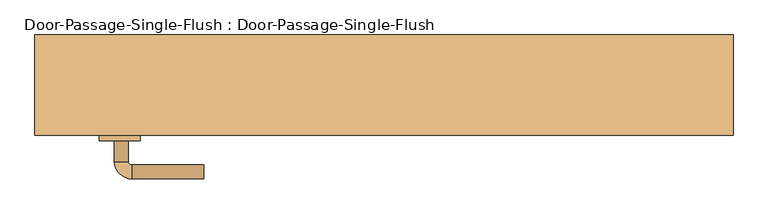
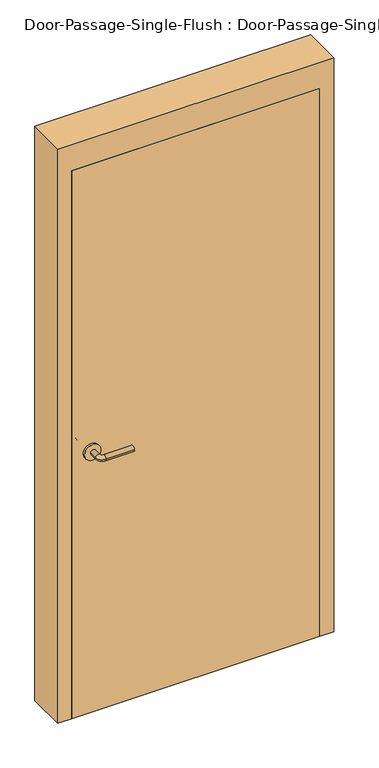
"""IFC4 building model written with IfcOpenShell, lengths in millimetres: door geometry, Door-Passage-Single-Flush : Door-Passage-Single-Flush."""

from ifc_helpers import new_model, si_unit, point, frame, frame_2d, origin, origin_with_axes, place, context, project, spatial, polyline, circle_curve, ellipse_curve, trimmed, segment, composite_curve, outline, extrude, faceted_brep, source, transform, mapped, element, save
from ifc_brep_helpers import plane_surface, cylinder_surface, revolved_surface, advanced_brep


def door_passage_single_flush_door_passage_single_flush_6a7816ef(model_context):
    return source(origin(), model_context, "Body", "SolidModel", [
        advanced_brep(
        [(-392.190625, -4.7, 1016.0), (-372.190625, -4.7, 1016.0), (-392.190625, 25.3, 1016.0), (-372.190625, 25.3, 1016.0), (-367.190625, 30.3, 1016.0), (-367.190625, 50.3, 1016.0), (-262.190625, 50.3, 1016.0), (-262.190625, 30.3, 1016.0)],
        [
            (0, 1, circle_curve(frame((-382.190625, -4.7, 1016.0), z_axis=(0.0, -1.0, 0.0), x_axis=(1.0, 0.0, 0.0)), 10.0)),
            (1, 0, circle_curve(frame((-382.190625, -4.7, 1016.0), z_axis=(0.0, -1.0, 0.0), x_axis=(1.0, 0.0, 0.0)), 10.0)),
            (0, 2),
            (2, 3, circle_curve(frame((-382.190625, 25.3, 1016.0), z_axis=(0.0, -1.0, 0.0), x_axis=(1.0, 0.0, 0.0)), 10.0)),
            (3, 1),
            (3, 2, circle_curve(frame((-382.190625, 25.3, 1016.0), z_axis=(0.0, -1.0, 0.0), x_axis=(1.0, 0.0, 0.0)), 10.0)),
            (4, 3, circle_curve(frame((-367.190625, 25.3, 1016.0), z_axis=(0.0, 0.0, 1.0), x_axis=(-1.0, 0.0, 0.0)), 5.0)),
            (2, 5, circle_curve(frame((-367.190625, 25.3, 1016.0), z_axis=(0.0, 0.0, -1.0), x_axis=(-1.0, 0.0, 0.0)), 25.0)),
            (5, 4, circle_curve(frame((-367.190625, 40.3, 1016.0), z_axis=(-1.0, 0.0, 0.0), x_axis=(0.0, -1.0, 0.0)), 10.0)),
            (4, 5, circle_curve(frame((-367.190625, 40.3, 1016.0), z_axis=(-1.0, 0.0, 0.0), x_axis=(0.0, -1.0, 0.0)), 10.0)),
            (6, 7, circle_curve(frame((-262.190625, 40.3, 1016.0), z_axis=(1.0, 0.0, 0.0), x_axis=(0.0, -1.0, 0.0)), 10.0)),
            (7, 6, circle_curve(frame((-262.190625, 40.3, 1016.0), z_axis=(1.0, 0.0, 0.0), x_axis=(0.0, -1.0, 0.0)), 10.0)),
            (5, 6),
            (7, 4),
        ],
        [
            plane_surface(frame((-382.190625, -4.7, 1016.0), z_axis=(0.0, -1.0, 0.0), x_axis=(0.0, 0.0, 1.0))),
            cylinder_surface(frame((-382.190625, -4.7, 1016.0), z_axis=(0.0, -1.0, 0.0), x_axis=(1.0, 0.0, 0.0)), 10.0),
            revolved_surface(trimmed(ellipse_curve(frame((-382.190625, 25.3, 1016.0), z_axis=(0.0, -1.0, 0.0), x_axis=(1.0, 0.0, 0.0)), 10.0, 10.0), [point((-392.190625, 25.3, 1016.0))], [point((-372.190625, 25.3, 1016.0))], True, "CARTESIAN"), (-367.190625, 25.3, 1016.0), (0.0, 0.0, -1.0)),
            revolved_surface(trimmed(ellipse_curve(frame((-382.190625, 25.3, 1016.0), z_axis=(0.0, -1.0, 0.0), x_axis=(1.0, 0.0, 0.0)), 10.0, 10.0), [point((-372.190625, 25.3, 1016.0))], [point((-392.190625, 25.3, 1016.0))], True, "CARTESIAN"), (-367.190625, 25.3, 1016.0), (0.0, 0.0, -1.0)),
            plane_surface(frame((-262.190625, 40.3, 1016.0), z_axis=(1.0, 0.0, 0.0), x_axis=(0.0, 0.0, 1.0))),
            cylinder_surface(frame((-367.190625, 40.3, 1016.0), z_axis=(-1.0, 0.0, 0.0), x_axis=(0.0, -1.0, 0.0)), 10.0),
        ],
        [
            (0, [[1, 2]]),
            (1, [[-1, 3, 4, 5]]),
            (1, [[-2, -5, 6, -3]]),
            (2, [[7, -4, 8, 9]]),
            (3, [[-8, -6, -7, 10]]),
            (4, [[11, 12]]),
            (5, [[-9, 13, -12, 14]]),
            (5, [[-10, -14, -11, -13]]),
        ],
    ),
        extrude(outline(composite_curve([segment(trimmed(circle_curve(frame_2d((1016.0, -384.690625)), 30.0), [point((1016.0, -414.690625))], [point((1016.0, -354.690625))], False, "CARTESIAN"), True, "CONTINUOUS"), segment(trimmed(circle_curve(frame_2d((1016.0, -384.690625)), 30.0), [point((1016.0, -354.690625))], [point((1016.0, -414.690625))], False, "CARTESIAN"), True, "CONTINUOUS")], self_intersect=False)), frame((0.0, -12.7, 0.0), z_axis=(0.0, 1.0, 0.0), x_axis=(0.0, 0.0, 1.0)), (0.0, 0.0, 1.0), 8.0),
        advanced_brep(
        [(-392.190625, -65.15, 1016.0), (-372.190625, -65.15, 1016.0), (-372.190625, -95.15, 1016.0), (-392.190625, -95.15, 1016.0), (-367.190625, -100.15, 1016.0), (-367.190625, -120.15, 1016.0), (-262.190625, -120.15, 1016.0), (-262.190625, -100.15, 1016.0)],
        [
            (0, 1, circle_curve(frame((-382.190625, -65.15, 1016.0), z_axis=(0.0, 1.0, 0.0), x_axis=(1.0, 0.0, 0.0)), 10.0)),
            (1, 0, circle_curve(frame((-382.190625, -65.15, 1016.0), z_axis=(0.0, 1.0, 0.0), x_axis=(1.0, 0.0, 0.0)), 10.0)),
            (1, 2),
            (2, 3, circle_curve(frame((-382.190625, -95.15, 1016.0), z_axis=(0.0, 1.0, 0.0), x_axis=(1.0, 0.0, 0.0)), 10.0)),
            (3, 0),
            (3, 2, circle_curve(frame((-382.190625, -95.15, 1016.0), z_axis=(0.0, 1.0, 0.0), x_axis=(1.0, 0.0, 0.0)), 10.0)),
            (4, 5, circle_curve(frame((-367.190625, -110.15, 1016.0), z_axis=(-1.0, 0.0, 0.0), x_axis=(0.0, 1.0, 0.0)), 10.0)),
            (5, 3, circle_curve(frame((-367.190625, -95.15, 1016.0), z_axis=(0.0, 0.0, -1.0), x_axis=(-1.0, 0.0, 0.0)), 25.0)),
            (2, 4, circle_curve(frame((-367.190625, -95.15, 1016.0), z_axis=(0.0, 0.0, 1.0), x_axis=(-1.0, 0.0, 0.0)), 5.0)),
            (5, 4, circle_curve(frame((-367.190625, -110.15, 1016.0), z_axis=(-1.0, 0.0, 0.0), x_axis=(0.0, 1.0, 0.0)), 10.0)),
            (6, 7, circle_curve(frame((-262.190625, -110.15, 1016.0), z_axis=(1.0, 0.0, 0.0), x_axis=(0.0, 1.0, 0.0)), 10.0)),
            (7, 6, circle_curve(frame((-262.190625, -110.15, 1016.0), z_axis=(1.0, 0.0, 0.0), x_axis=(0.0, 1.0, 0.0)), 10.0)),
            (4, 7),
            (6, 5),
        ],
        [
            plane_surface(frame((-382.190625, -65.15, 1016.0), z_axis=(0.0, 1.0, 0.0), x_axis=(0.0, 0.0, 1.0))),
            cylinder_surface(frame((-382.190625, -65.15, 1016.0), z_axis=(0.0, 1.0, 0.0), x_axis=(1.0, 0.0, 0.0)), 10.0),
            revolved_surface(trimmed(ellipse_curve(frame((-382.190625, -95.15, 1016.0), z_axis=(0.0, -1.0, 0.0), x_axis=(1.0, 0.0, 0.0)), 10.0, 10.0), [point((-392.190625, -95.15, 1016.0))], [point((-372.190625, -95.15, 1016.0))], True, "CARTESIAN"), (-367.190625, -95.15, 1016.0), (0.0, 0.0, -1.0)),
            revolved_surface(trimmed(ellipse_curve(frame((-382.190625, -95.15, 1016.0), z_axis=(0.0, -1.0, 0.0), x_axis=(1.0, 0.0, 0.0)), 10.0, 10.0), [point((-372.190625, -95.15, 1016.0))], [point((-392.190625, -95.15, 1016.0))], True, "CARTESIAN"), (-367.190625, -95.15, 1016.0), (0.0, 0.0, -1.0)),
            plane_surface(frame((-262.190625, -110.15, 1016.0), z_axis=(1.0, 0.0, 0.0), x_axis=(0.0, 0.0, 1.0))),
            cylinder_surface(frame((-367.190625, -110.15, 1016.0), z_axis=(-1.0, 0.0, 0.0), x_axis=(0.0, 1.0, 0.0)), 10.0),
        ],
        [
            (0, [[1, 2]]),
            (1, [[3, 4, 5, -2]]),
            (1, [[-5, 6, -3, -1]]),
            (2, [[7, 8, -4, 9]]),
            (3, [[10, -9, -6, -8]]),
            (4, [[11, 12]]),
            (5, [[13, -11, 14, -7]]),
            (5, [[-14, -12, -13, -10]]),
        ],
    ),
        extrude(outline(composite_curve([segment(trimmed(circle_curve(frame_2d((1016.0, -384.690625)), 30.0), [point((1016.0, -414.690625))], [point((1016.0, -354.690625))], False, "CARTESIAN"), True, "CONTINUOUS"), segment(trimmed(circle_curve(frame_2d((1016.0, -384.690625)), 30.0), [point((1016.0, -354.690625))], [point((1016.0, -414.690625))], False, "CARTESIAN"), True, "CONTINUOUS")], self_intersect=False)), frame((0.0, -65.15, 0.0), z_axis=(0.0, 1.0, 0.0), x_axis=(0.0, 0.0, 1.0)), (0.0, 0.0, 1.0), 8.0),
        faceted_brep([(457.2, -7.9375, 0.0), (441.325, -7.9375, 0.0), (441.325, 39.6875, 0.0), (457.2, 39.6875, 0.0), (457.2, 88.9, 0.0), (508.0, 88.9, 0.0), (508.0, -57.15, 0.0), (457.2, -57.15, 0.0), (457.2, -57.15, 2133.6), (457.2, -7.9375, 2133.6), (508.0, -57.15, 2235.2), (-508.0, -57.15, 2235.2), (-508.0, -57.15, 0.0), (-457.2, -57.15, 0.0), (-457.2, -57.15, 2133.6), (508.0, 88.9, 2235.2), (457.2, 88.9, 2133.6), (-457.2, 88.9, 2133.6), (-457.2, 88.9, 0.0), (-508.0, 88.9, 0.0), (-508.0, 88.9, 2235.2), (457.2, 39.6875, 2133.6), (441.325, 39.6875, 2117.725), (-441.325, 39.6875, 2117.725), (-441.325, 39.6875, 0.0), (-457.2, 39.6875, 0.0), (-457.2, 39.6875, 2133.6), (441.325, -7.9375, 2117.725), (-457.2, -7.9375, 2133.6), (-457.2, -7.9375, 0.0), (-441.325, -7.9375, 0.0), (-441.325, -7.9375, 2117.725)], [[[0, 1, 2, 3, 4, 5, 6, 7]], [[7, 8, 9, 0]], [[6, 10, 11, 12, 13, 14, 8, 7]], [[5, 15, 10, 6]], [[4, 16, 17, 18, 19, 20, 15, 5]], [[3, 21, 16, 4]], [[2, 22, 23, 24, 25, 26, 21, 3]], [[1, 27, 22, 2]], [[0, 9, 28, 29, 30, 31, 27, 1]], [[8, 14, 28, 9]], [[16, 21, 26, 17]], [[22, 27, 31, 23]], [[12, 19, 18, 25, 24, 30, 29, 13]], [[13, 29, 28, 14]], [[11, 20, 19, 12]], [[17, 26, 25, 18]], [[23, 31, 30, 24]], [[15, 20, 11, 10]]]),
        extrude(outline(polyline([(457.2, -12.7), (457.2, -57.15), (-457.2, -57.15), (-457.2, -12.7), (457.2, -12.7)])), origin_with_axes(), (0.0, 0.0, 1.0), 2133.6),
    ])


if __name__ == "__main__":
    model = new_model("IFC4")
    model_context = context("Model", 3, world=origin())
    ifc_project = project(units=[si_unit("LENGTHUNIT", "METRE", prefix="MILLI")], contexts=[model_context])
    site = spatial("IfcSite", under=ifc_project)
    building = spatial("IfcBuilding", under=site)
    placement = place(None, origin())
    door_passage_single_flush_door_passage_single_flush_shape = door_passage_single_flush_door_passage_single_flush_6a7816ef(model_context)
    element("IfcDoor", 1, ObjectType="Door-Passage-Single-Flush : Door-Passage-Single-Flush", at=placement, inside=building, context=model_context, shape_type="MappedRepresentation", body=[
        mapped(door_passage_single_flush_door_passage_single_flush_shape, transform((0.0, 0.0, 0.0), x_axis=(1.0, 0.0, 0.0), y_axis=(0.0, 1.0, 0.0), z_axis=(0.0, 0.0, 1.0))),
    ])
    save(model, "model.ifc")
